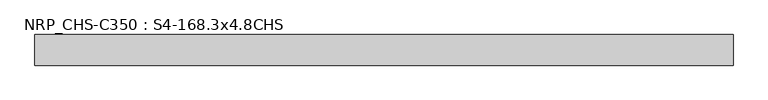
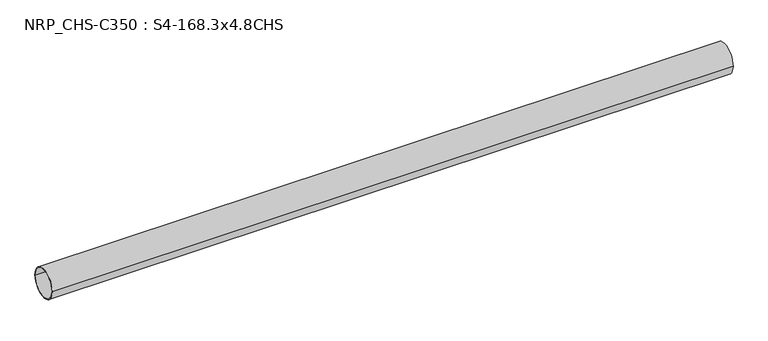
"""IFC4 building model written with IfcOpenShell, lengths in millimetres: beam geometry, NRP_CHS-C350 : S4-168.3x4.8CHS."""

from ifc_helpers import new_model, si_unit, point, frame, origin, origin_2d, place, context, project, spatial, circle_curve, trimmed, segment, composite_curve, outline, extrude, source, transform, mapped, element, save


def nrp_chs_c350_s4_168_3x4_8chs_2b5f5128(model_context):
    return source(origin(), model_context, "Body", "SweptSolid", [
        extrude(outline(composite_curve([segment(trimmed(circle_curve(origin_2d(), 84.15), [point((84.15, 0.0))], [point((-84.15, 0.0))], False, "CARTESIAN"), True, "CONTINUOUS"), segment(trimmed(circle_curve(origin_2d(), 84.15), [point((-84.15, 0.0))], [point((84.15, 0.0))], False, "CARTESIAN"), True, "CONTINUOUS")], self_intersect=False), holes=[composite_curve([segment(trimmed(circle_curve(origin_2d(), 79.35), [point((-79.35, 0.0))], [point((79.35, 0.0))], True, "CARTESIAN"), True, "CONTINUOUS"), segment(trimmed(circle_curve(origin_2d(), 79.35), [point((79.35, 0.0))], [point((-79.35, 0.0))], True, "CARTESIAN"), True, "CONTINUOUS")], self_intersect=False)]), frame((-1851.4, 0.0, 0.0), z_axis=(1.0, 0.0, 0.0), x_axis=(0.0, 1.0, 0.0)), (0.0, 0.0, 1.0), 3835.0),
    ])


if __name__ == "__main__":
    model = new_model("IFC4")
    model_context = context("Model", 3, world=origin())
    ifc_project = project(units=[si_unit("LENGTHUNIT", "METRE", prefix="MILLI")], contexts=[model_context])
    site = spatial("IfcSite", under=ifc_project)
    building = spatial("IfcBuilding", under=site)
    placement = place(None, origin())
    nrp_chs_c350_s4_168_3x4_8chs_shape = nrp_chs_c350_s4_168_3x4_8chs_2b5f5128(model_context)
    element("IfcBeam", 1, ObjectType="NRP_CHS-C350 : S4-168.3x4.8CHS", at=placement, inside=building, context=model_context, shape_type="MappedRepresentation", body=[
        mapped(nrp_chs_c350_s4_168_3x4_8chs_shape, transform((0.0, 0.0, 0.0), x_axis=(1.0, 0.0, 0.0), y_axis=(0.0, 1.0, 0.0), z_axis=(0.0, 0.0, 1.0))),
    ])
    save(model, "model.ifc")
